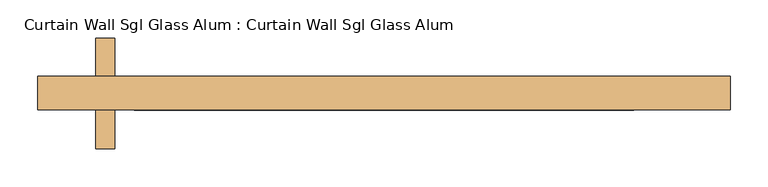
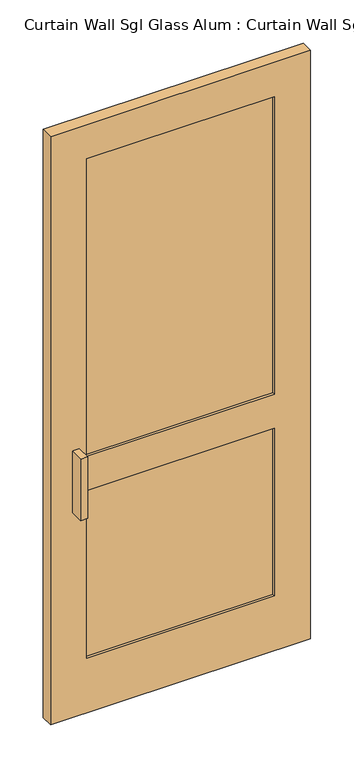
"""IFC4 building model written with IfcOpenShell, lengths in millimetres: door geometry, Curtain Wall Sgl Glass Alum : Curtain Wall Sgl Glass Alum."""

from ifc_helpers import new_model, si_unit, frame, origin, place, context, project, spatial, polyline, outline, extrude, source, transform, mapped, element, save


def curtain_wall_sgl_glass_alum_curtain_wall_sgl_glass_alum_f6188e1c(model_context):
    return source(origin(), model_context, "Body", "SweptSolid", [
        extrude(outline(polyline([(330.2, 41.275), (330.2, 15.875), (-330.2, 15.875), (-330.2, 41.275), (330.2, 41.275)])), frame((0.0, 0.0, 203.2), z_axis=(0.0, 0.0, 1.0), x_axis=(1.0, 0.0, 0.0)), (0.0, 0.0, 1.0), 622.3),
        extrude(outline(polyline([(330.2, 41.275), (330.2, 15.875), (-330.2, 15.875), (-330.2, 41.275), (330.2, 41.275)])), frame((0.0, 0.0, 952.5), z_axis=(0.0, 0.0, 1.0), x_axis=(1.0, 0.0, 0.0)), (0.0, 0.0, 1.0), 1104.9),
        extrude(outline(polyline([(2184.4, 457.2), (2184.4, -457.2), (0.0, -457.2), (0.0, 457.2), (2184.4, 457.2)]), holes=[polyline([(825.5, -330.2), (825.5, 330.2), (203.2, 330.2), (203.2, -330.2), (825.5, -330.2)]), polyline([(2057.4, -330.2), (2057.4, 330.2), (952.5, 330.2), (952.5, -330.2), (2057.4, -330.2)])]), frame((0.0, 6.35, 0.0), z_axis=(0.0, 1.0, 0.0), x_axis=(0.0, 0.0, 1.0)), (0.0, 0.0, 1.0), 44.45),
        extrude(outline(polyline([(-355.6, -44.45), (-381.0, -44.45), (-381.0, 6.35), (-355.6, 6.35), (-355.6, -44.45)])), frame((0.0, 0.0, 762.0), z_axis=(0.0, 0.0, 1.0), x_axis=(1.0, 0.0, 0.0)), (0.0, 0.0, 1.0), 228.6),
        extrude(outline(polyline([(-381.0, 101.6), (-355.6, 101.6), (-355.6, 50.8), (-381.0, 50.8), (-381.0, 101.6)])), frame((0.0, 0.0, 762.0), z_axis=(0.0, 0.0, 1.0), x_axis=(1.0, 0.0, 0.0)), (0.0, 0.0, 1.0), 228.6),
    ])


if __name__ == "__main__":
    model = new_model("IFC4")
    model_context = context("Model", 3, world=origin())
    ifc_project = project(units=[si_unit("LENGTHUNIT", "METRE", prefix="MILLI")], contexts=[model_context])
    site = spatial("IfcSite", under=ifc_project)
    building = spatial("IfcBuilding", under=site)
    placement = place(None, origin())
    curtain_wall_sgl_glass_alum_curtain_wall_sgl_glass_alum_shape = curtain_wall_sgl_glass_alum_curtain_wall_sgl_glass_alum_f6188e1c(model_context)
    element("IfcDoor", 1, ObjectType="Curtain Wall Sgl Glass Alum : Curtain Wall Sgl Glass Alum", at=placement, inside=building, context=model_context, shape_type="MappedRepresentation", body=[
        mapped(curtain_wall_sgl_glass_alum_curtain_wall_sgl_glass_alum_shape, transform((0.0, 0.0, 0.0), x_axis=(1.0, 0.0, 0.0), y_axis=(0.0, 1.0, 0.0), z_axis=(0.0, 0.0, 1.0))),
    ])
    save(model, "model.ifc")
